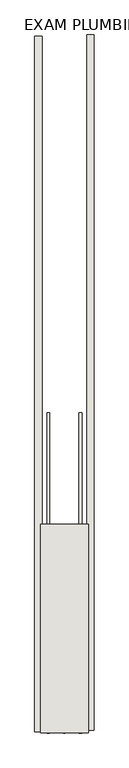
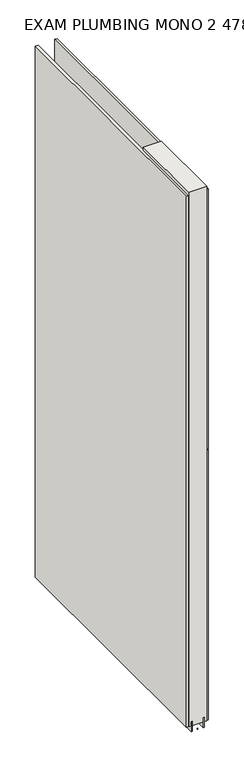
"""IFC4 building model written with IfcOpenShell, lengths in millimetres: wall geometry, EXAM PLUMBING MONO 2 478092 : EXAM PLUMBING MONO 2 478092."""

from ifc_helpers import new_model, si_unit, frame, origin, place, context, project, spatial, polyline, outline, extrude, source, transform, mapped, element, save


def exam_plumbing_mono_2_478092_exam_plumbing_mono_2_478092_b5182204(model_context):
    return source(origin(), model_context, "Body", "SweptSolid", [
        extrude(outline(polyline([(57408.482211, -51698.8363024), (57408.482211, -51701.3763024), (57405.942211, -51701.3763024), (57405.942211, -51698.8363024), (57408.482211, -51698.8363024)])), frame((0.0, 0.0, 4419.6), z_axis=(0.0, 0.0, 1.0), x_axis=(1.0, 0.0, 0.0)), (0.0, 0.0, 1.0), 2.54),
        extrude(outline(polyline([(57356.412211, -51699.3796846), (57356.412211, -50513.7797698), (57369.112211, -50513.7797698), (57369.112211, -51699.3796846), (57356.412211, -51699.3796846)])), frame((0.0, 0.0, 4445.0), z_axis=(0.0, 0.0, 1.0), x_axis=(1.0, 0.0, 0.0)), (0.0, 0.0, 1.0), 2545.0498756),
        extrude(outline(polyline([(57458.012211, -50511.3117026), (57458.012211, -51696.9116174), (57445.312211, -51696.9116174), (57445.312211, -50511.3117026), (57458.012211, -50511.3117026)])), frame((0.0, 0.0, 4445.0), z_axis=(0.0, 0.0, 1.0), x_axis=(1.0, 0.0, 0.0)), (0.0, 0.0, 1.0), 1293.400004),
        extrude(outline(polyline([(57458.012211, -50511.3117026), (57458.012211, -51696.9116174), (57445.312211, -51696.9116174), (57445.312211, -50511.3117026), (57458.012211, -50511.3117026)])), frame((0.0, 0.0, 5742.4000722), z_axis=(0.0, 0.0, 1.0), x_axis=(1.0, 0.0, 0.0)), (0.0, 0.0, 1.0), 1247.649905),
        extrude(outline(polyline([(57382.1284664, -51155.2713494), (57382.1284664, -51701.3713494), (57377.049711, -51701.3713494), (57377.049711, -51155.2713494), (57382.1284664, -51155.2713494)])), frame((0.0, 0.0, 4418.6602), z_axis=(0.0, 0.0, 1.0), x_axis=(1.0, 0.0, 0.0)), (0.0, 0.0, 1.0), 47.625),
        extrude(outline(polyline([(57382.1284664, -51155.2713494), (57382.1284664, -51701.3713494), (57377.049711, -51701.3713494), (57377.049711, -51155.2713494), (57382.1284664, -51155.2713494)])), frame((0.0, 0.0, 4418.6602), z_axis=(0.0, 0.0, 1.0), x_axis=(1.0, 0.0, 0.0)), (0.0, 0.0, 1.0), 47.625),
        extrude(outline(polyline([(57432.2959556, -51701.3713494), (57432.2959556, -51155.2713494), (57437.374711, -51155.2713494), (57437.374711, -51701.3713494), (57432.2959556, -51701.3713494)])), frame((0.0, 0.0, 4418.6602), z_axis=(0.0, 0.0, 1.0), x_axis=(1.0, 0.0, 0.0)), (0.0, 0.0, 1.0), 47.625),
        extrude(outline(polyline([(57432.2959556, -51701.3713494), (57432.2959556, -51155.2713494), (57437.374711, -51155.2713494), (57437.374711, -51701.3713494), (57432.2959556, -51701.3713494)])), frame((0.0, 0.0, 4418.6602), z_axis=(0.0, 0.0, 1.0), x_axis=(1.0, 0.0, 0.0)), (0.0, 0.0, 1.0), 47.625),
        extrude(outline(polyline([(57366.5573266, -51345.7713494), (57447.8670954, -51345.7713494), (57447.8670954, -51701.3713494), (57366.5573266, -51701.3713494), (57366.5573266, -51345.7713494)])), frame((0.0, 0.0, 4445.0), z_axis=(0.0, 0.0, 1.0), x_axis=(1.0, 0.0, 0.0)), (0.0, 0.0, 1.0), 2562.4536762),
    ])


if __name__ == "__main__":
    model = new_model("IFC4")
    model_context = context("Model", 3, world=origin())
    ifc_project = project(units=[si_unit("LENGTHUNIT", "METRE", prefix="MILLI")], contexts=[model_context])
    site = spatial("IfcSite", under=ifc_project)
    building = spatial("IfcBuilding", under=site)
    placement = place(None, origin())
    exam_plumbing_mono_2_478092_exam_plumbing_mono_2_478092_shape = exam_plumbing_mono_2_478092_exam_plumbing_mono_2_478092_b5182204(model_context)
    element("IfcWall", 1, ObjectType="EXAM PLUMBING MONO 2 478092 : EXAM PLUMBING MONO 2 478092", at=placement, inside=building, context=model_context, shape_type="MappedRepresentation", body=[
        mapped(exam_plumbing_mono_2_478092_exam_plumbing_mono_2_478092_shape, transform((0.0, 0.0, 0.0), x_axis=(1.0, 0.0, 0.0), y_axis=(0.0, 1.0, 0.0), z_axis=(0.0, 0.0, 1.0))),
    ])
    save(model, "model.ifc")
